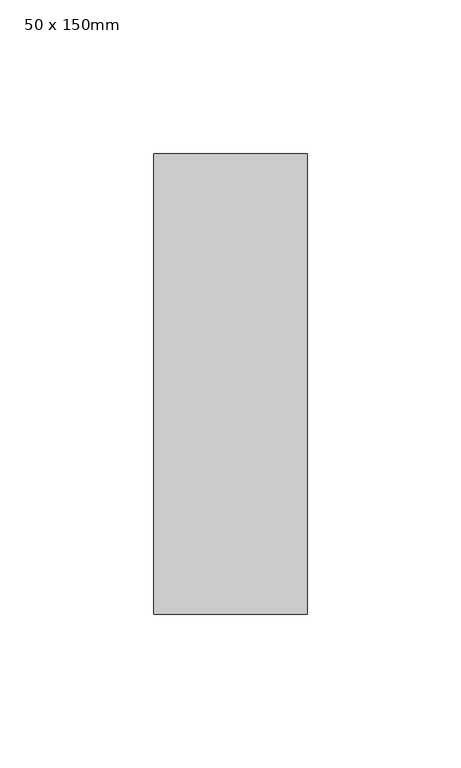
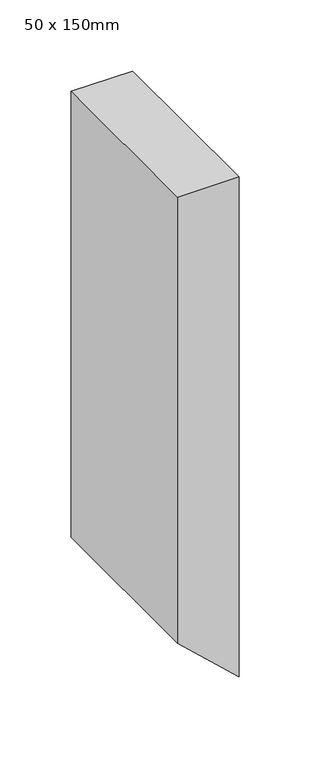
"""IFC4 building model written with IfcOpenShell, lengths in millimetres: member geometry, 50 x 150mm."""

from ifc_helpers import new_model, si_unit, frame, origin, place, context, project, spatial, polyline, outline, extrude, source, transform, mapped, element, save


def member_50_x_150mm_599c66f6(model_context):
    return source(origin(), model_context, "Body", "SweptSolid", [
        extrude(outline(polyline([(0.0, 0.0), (0.0, -50.0), (-382.8676317, -50.0), (-429.0112003, 0.0), (0.0, 0.0)])), frame((0.0, -75.0, 0.0), z_axis=(0.0, 1.0, 0.0), x_axis=(0.0, 0.0, 1.0)), (0.0, 0.0, 1.0), 150.0),
    ])


if __name__ == "__main__":
    model = new_model("IFC4")
    model_context = context("Model", 3, world=origin())
    ifc_project = project(units=[si_unit("LENGTHUNIT", "METRE", prefix="MILLI")], contexts=[model_context])
    site = spatial("IfcSite", under=ifc_project)
    building = spatial("IfcBuilding", under=site)
    placement = place(None, origin())
    member_50_x_150mm_shape = member_50_x_150mm_599c66f6(model_context)
    element("IfcMember", 1, ObjectType="50 x 150mm", at=placement, inside=building, context=model_context, shape_type="MappedRepresentation", body=[
        mapped(member_50_x_150mm_shape, transform((0.0, 0.0, 0.0), x_axis=(1.0, 0.0, 0.0), y_axis=(0.0, 1.0, 0.0), z_axis=(0.0, 0.0, 1.0))),
    ])
    save(model, "model.ifc")
